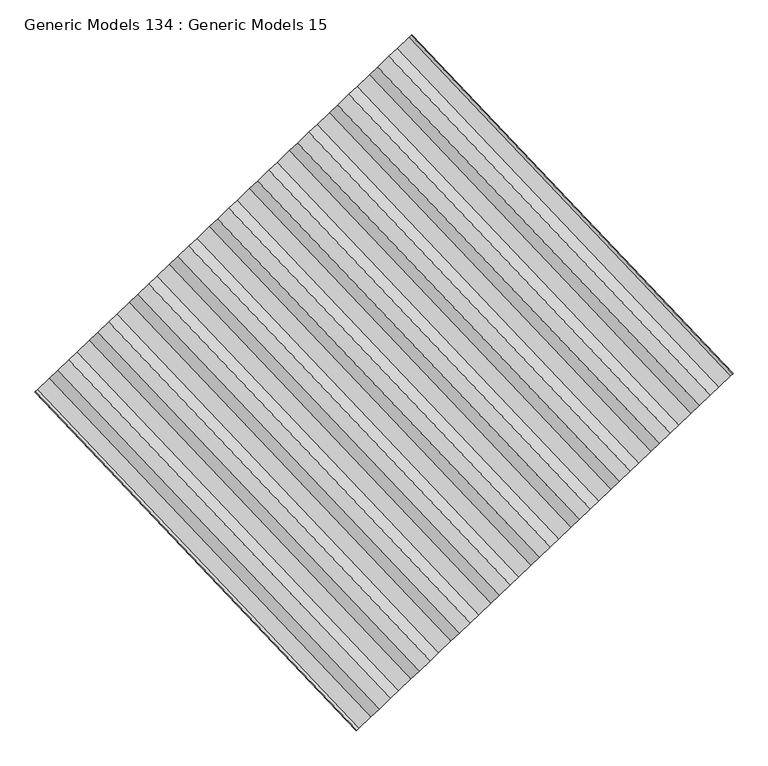
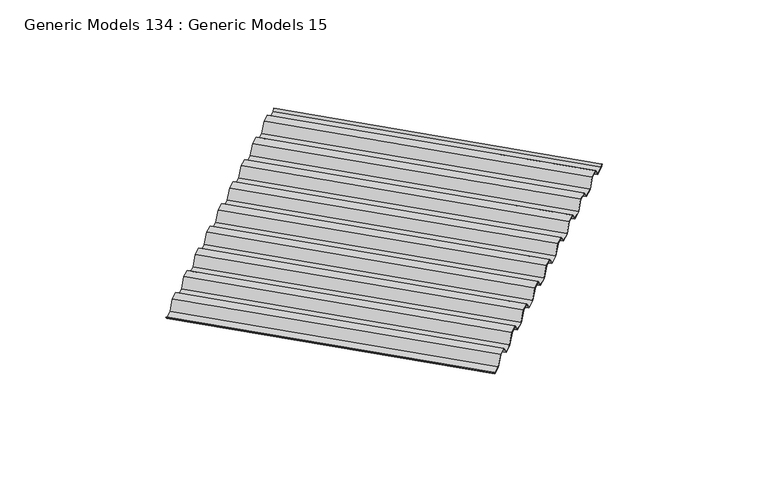
"""IFC4 building model written with IfcOpenShell, lengths in millimetres: proxy geometry, Generic Models 134 : Generic Models 15."""

from ifc_helpers import new_model, si_unit, frame, origin, place, context, project, spatial, polyline, outline, extrude, source, transform, mapped, element, save


def generic_models_134_generic_models_15_1511e56e(model_context):
    return source(origin(), model_context, "Body", "SweptSolid", [
        extrude(outline(polyline([(1235.0766338, -4.7625), (1172.5688213, -76.2), (1086.8438214, -76.2), (1024.3360088, -4.7625), (930.2766338, -4.7625), (867.7688214, -76.2), (782.0438213, -76.2), (719.5360088, -4.7625), (625.4766338, -4.7625), (562.9688214, -76.2), (477.2438214, -76.2), (414.7360088, -4.7625), (320.6766338, -4.7625), (258.1688214, -76.2), (172.4438213, -76.2), (109.9360089, -4.7625), (20.0438213, -4.7625), (3.3750713, -23.8125), (0.0, -20.4374287), (17.8827501, 0.0), (112.09708, 0.0), (174.6048925, -71.4375), (256.0077501, -71.4375), (318.5155627, 0.0), (416.89708, 0.0), (479.4048926, -71.4375), (560.8077501, -71.4375), (623.3155627, 0.0), (721.69708, 0.0), (784.2048925, -71.4375), (865.6077502, -71.4375), (928.1155626, 0.0), (1026.4970801, 0.0), (1089.0048925, -71.4375), (1170.4077502, -71.4375), (1232.9155627, 0.0), (1331.29708, 0.0), (1393.8048925, -71.4375), (1475.2077502, -71.4375), (1537.7155626, 0.0), (1636.09708, 0.0), (1698.6048925, -71.4375), (1780.0077502, -71.4375), (1842.5155627, 0.0), (1940.89708, 0.0), (2003.4048925, -71.4375), (2084.8077501, -71.4375), (2147.3155626, 0.0), (2245.69708, 0.0), (2308.2048925, -71.4375), (2389.6077501, -71.4375), (2452.1155627, 0.0), (2550.49708, 0.0), (2613.0048926, -71.4375), (2694.4077501, -71.4375), (2756.9155627, 0.0), (2851.1298925, 0.0), (2869.0126427, -20.4374287), (2865.6375713, -23.8125), (2848.9688213, -4.7625), (2759.0766338, -4.7625), (2696.5688214, -76.2), (2610.8438214, -76.2), (2548.3360088, -4.7625), (2454.2766338, -4.7625), (2391.7688214, -76.2), (2306.0438213, -76.2), (2243.5360088, -4.7625), (2149.4766339, -4.7625), (2086.9688213, -76.2), (2001.2438213, -76.2), (1938.7360089, -4.7625), (1844.6766339, -4.7625), (1782.1688213, -76.2), (1696.4438213, -76.2), (1633.9360089, -4.7625), (1539.8766338, -4.7625), (1477.3688213, -76.2), (1391.6438214, -76.2), (1329.1360088, -4.7625), (1235.0766338, -4.7625)])), frame((101956.1514079, 55227.9981287, 17094.2), z_axis=(-0.6883545756937425, 0.7253743710122986, 0.0), x_axis=(0.7253743710122986, 0.6883545756937425, 0.0)), (0.0, 0.0, 1.0), 2579.6875),
    ])


if __name__ == "__main__":
    model = new_model("IFC4")
    model_context = context("Model", 3, world=origin())
    ifc_project = project(units=[si_unit("LENGTHUNIT", "METRE", prefix="MILLI")], contexts=[model_context])
    site = spatial("IfcSite", under=ifc_project)
    building = spatial("IfcBuilding", under=site)
    placement = place(None, origin())
    generic_models_134_generic_models_15_shape = generic_models_134_generic_models_15_1511e56e(model_context)
    element("IfcBuildingElementProxy", 1, Name="Generic Models 134 : Generic Models 15", ObjectType="Generic Models 134 : Generic Models 15", at=placement, inside=building, context=model_context, shape_type="MappedRepresentation", body=[
        mapped(generic_models_134_generic_models_15_shape, transform((0.0, 0.0, 0.0), x_axis=(1.0, 0.0, 0.0), y_axis=(0.0, 1.0, 0.0), z_axis=(0.0, 0.0, 1.0))),
    ])
    save(model, "model.ifc")
